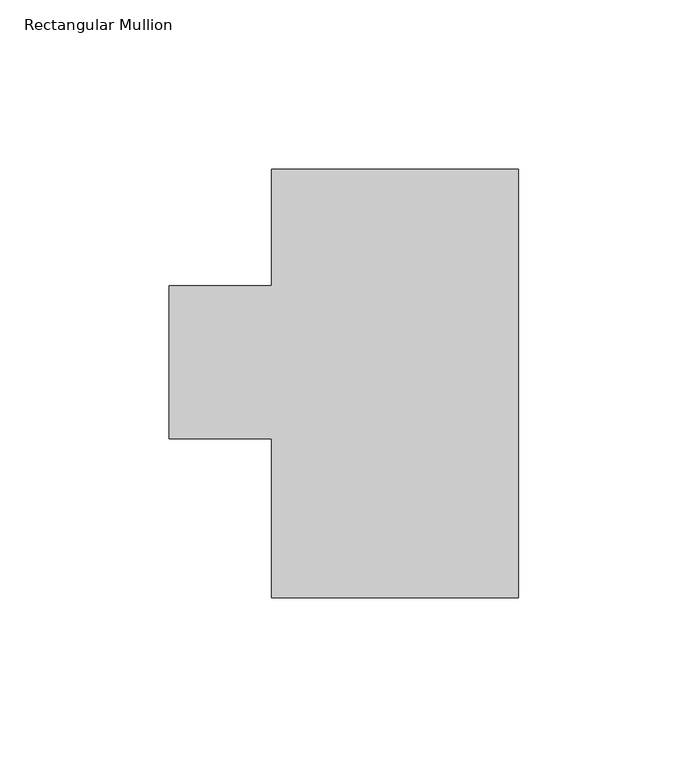
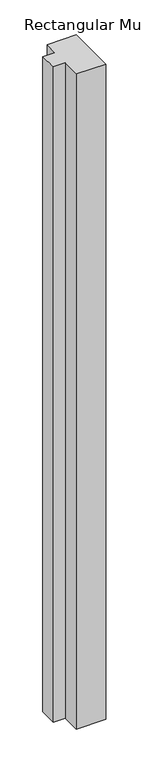
"""IFC4 building model written with IfcOpenShell, lengths in millimetres: member geometry, Rectangular Mullion."""

import ifcopenshell
import ifcopenshell.guid

model = None  # the IFC model being written
_history = None  # IfcOwnerHistory: only IFC2X3 demands one
_inside = {}  # id of a spatial element -> (the spatial element, [elements in it])
_under = {}  # id of a project, library or spatial element -> (it, [spatial elements below it])
_declared = {}  # id of a project -> (the project, [libraries it declares])
_typed = {}  # id of a type object -> (the type object, [elements of that type])
_made_of = {}  # id of a material, layer set ... -> (it, [elements and type objects made of it])


def new_model(schema):
    """Start an empty IFC model of exactly this schema.

    Asked for "IFC4X3", IfcOpenShell would pick the latest addendum, in which some entities
    have other attributes; the version numbers below select the first issue.
    IFC2X3 requires an IfcOwnerHistory on every rooted entity: one is made here for all.
    """
    global model, _history
    if schema == "IFC4X3":
        model = ifcopenshell.file(schema_version=(4, 3, 0, 0))
    else:
        model = ifcopenshell.file(schema=schema)
    _inside.clear()
    _under.clear()
    _declared.clear()
    _typed.clear()
    _made_of.clear()
    _history = None
    if model.schema == "IFC2X3":
        org = make("IfcOrganization", Name="unknown")
        user = make(
            "IfcPersonAndOrganization",
            ThePerson=make("IfcPerson", FamilyName="unknown"),
            TheOrganization=org,
        )
        app = make(
            "IfcApplication",
            ApplicationDeveloper=org,
            Version="unknown",
            ApplicationFullName="unknown",
            ApplicationIdentifier="unknown",
        )
        _history = make(
            "IfcOwnerHistory",
            OwningUser=user,
            OwningApplication=app,
            ChangeAction="ADDED",
            CreationDate=0,
        )
    return model


def make(cls, **values):
    """One entity of the class cls with the attributes given. An attribute that is None is left unset."""
    return model.create_entity(
        cls, **{name: value for name, value in values.items() if value is not None}
    )


def rooted(cls, **values):
    """An entity with a GlobalId (a new one), such as an element, a storey or a relation."""
    return make(cls, GlobalId=ifcopenshell.guid.new(), OwnerHistory=_history, **values)


def si_unit(unit_type, name, prefix=None):
    """IfcSIUnit, for example si_unit("LENGTHUNIT", "METRE", prefix="MILLI")."""
    return make("IfcSIUnit", UnitType=unit_type, Prefix=prefix, Name=name)


def assignment(units):
    """IfcUnitAssignment: the units of a project."""
    return None if units is None else make("IfcUnitAssignment", Units=units)


def point(xyz):
    """IfcCartesianPoint."""
    return None if xyz is None else make("IfcCartesianPoint", Coordinates=xyz)


def direction(xyz):
    """IfcDirection."""
    return None if xyz is None else make("IfcDirection", DirectionRatios=xyz)


def frame(location, z_axis=None, x_axis=None):
    """IfcAxis2Placement3D, a coordinate frame: its origin and axes. An axis left out is left unset."""
    return make(
        "IfcAxis2Placement3D",
        Location=point(location),
        Axis=direction(z_axis),
        RefDirection=direction(x_axis),
    )


def origin():
    """The frame at (0, 0, 0) with its axes left unset."""
    return frame((0.0, 0.0, 0.0))


def place(relative_to, where):
    """IfcLocalPlacement: puts the frame where relative to a parent placement (None: the world)."""
    return make(
        "IfcLocalPlacement", PlacementRelTo=relative_to, RelativePlacement=where
    )


def context(
    kind, dimensions, precision=None, world=None, true_north=None, identifier=None
):
    """IfcGeometricRepresentationContext, for example the 3D "Model" context."""
    return make(
        "IfcGeometricRepresentationContext",
        ContextIdentifier=identifier,
        ContextType=kind,
        CoordinateSpaceDimension=dimensions,
        Precision=precision,
        WorldCoordinateSystem=world,
        TrueNorth=true_north,
    )


def project(units=None, contexts=None):
    """IfcProject with its units and contexts."""
    return rooted(
        "IfcProject",
        Name="project",
        RepresentationContexts=contexts,
        UnitsInContext=assignment(units),
    )


def spatial(cls, under=None, at=None, **own):
    """A site, building, storey or space (cls), placed at a placement, below another one or the project."""
    s = rooted(cls, ObjectPlacement=at, **own)
    if under is not None:
        _under.setdefault(under.id(), (under, []))[1].append(s)
    return s


def polyline(points):
    """IfcPolyline through the points."""
    return make("IfcPolyline", Points=[point(p) for p in points])


def outline(outer, holes=None, kind="AREA"):
    """IfcArbitraryClosedProfileDef: a profile drawn as a closed curve; with holes, ...WithVoids."""
    if holes is None:
        return make("IfcArbitraryClosedProfileDef", ProfileType=kind, OuterCurve=outer)
    return make(
        "IfcArbitraryProfileDefWithVoids",
        ProfileType=kind,
        OuterCurve=outer,
        InnerCurves=holes,
    )


def extrude(swept, where, along, depth):
    """IfcExtrudedAreaSolid: the profile swept, set in the frame where, extruded along a direction by depth."""
    return make(
        "IfcExtrudedAreaSolid",
        SweptArea=swept,
        Position=where,
        ExtrudedDirection=direction(along),
        Depth=depth,
    )


def shape(context_of_items, identifier, shape_type, items):
    """IfcShapeRepresentation: the items that make up one representation, for example the "Body"."""
    return make(
        "IfcShapeRepresentation",
        ContextOfItems=context_of_items,
        RepresentationIdentifier=identifier,
        RepresentationType=shape_type,
        Items=items,
    )


def source(mapping_origin, context_of_items, identifier, shape_type, items):
    """IfcRepresentationMap: a shape defined once, which mapped items show again and again."""
    return make(
        "IfcRepresentationMap",
        MappingOrigin=mapping_origin,
        MappedRepresentation=shape(context_of_items, identifier, shape_type, items),
    )


def transform(
    local_origin,
    x_axis=None,
    y_axis=None,
    z_axis=None,
    scale=None,
    scale2=None,
    scale3=None,
    uniform=True,
):
    """IfcCartesianTransformationOperator3D, or its non-uniform kind. x_axis, y_axis, z_axis: its Axis1, 2, 3."""
    if uniform:
        return make(
            "IfcCartesianTransformationOperator3D",
            Axis1=direction(x_axis),
            Axis2=direction(y_axis),
            LocalOrigin=point(local_origin),
            Scale=scale,
            Axis3=direction(z_axis),
        )
    return make(
        "IfcCartesianTransformationOperator3DnonUniform",
        Axis1=direction(x_axis),
        Axis2=direction(y_axis),
        LocalOrigin=point(local_origin),
        Scale=scale,
        Axis3=direction(z_axis),
        Scale2=scale2,
        Scale3=scale3,
    )


def mapped(mapping_source, mapping_target):
    """IfcMappedItem: shows the shape of a source again, moved by a transform."""
    return make(
        "IfcMappedItem", MappingSource=mapping_source, MappingTarget=mapping_target
    )


def made_of(thing, what):
    """Note that an element or type object is made of a material, layer set ...; save() writes the relation."""
    if what is not None:
        _made_of.setdefault(what.id(), (what, []))[1].append(thing)
    return thing


def element(
    cls,
    number,
    at=None,
    inside=None,
    cuts=None,
    type_object=None,
    material=None,
    context=None,
    identifier="Body",
    shape_type=None,
    held_by="IfcProductDefinitionShape",
    body=None,
    shapes=None,
    **own,
):
    """One element of the class cls, such as IfcWall. Its Tag is "e" and its number.

    at: its placement. inside: the storey or other place that contains it. cuts: it is an
    opening in that element (IfcRelVoidsElement). A single representation is given by context,
    identifier, shape_type and body (its items); several are given by shapes. held_by: the class
    of the entity that holds the representations. save() writes the other relations.
    """
    e = rooted(cls, Tag="e%d" % number, ObjectPlacement=at, **own)
    if body is not None:
        shapes = [shape(context, identifier, shape_type, body)]
    if shapes is not None:
        e.Representation = make(held_by, Representations=shapes)
    if inside is not None:
        _inside.setdefault(inside.id(), (inside, []))[1].append(e)
    if cuts is not None:
        rooted(
            "IfcRelVoidsElement", RelatingBuildingElement=cuts, RelatedOpeningElement=e
        )
    if type_object is not None:
        _typed.setdefault(type_object.id(), (type_object, []))[1].append(e)
    return made_of(e, material)


def aggregate(whole, parts):
    """IfcRelAggregates: a whole, such as a stair, and the parts it consists of."""
    return rooted("IfcRelAggregates", RelatingObject=whole, RelatedObjects=parts)


def save(model, path):
    """Write the relations noted so far, then the file.

    IfcRelAggregates (storeys below a building ...), IfcRelContainedInSpatialStructure (elements
    in a storey), IfcRelDefinesByType, IfcRelAssociatesMaterial and IfcRelDeclares: one each for
    every whole, place, type object, material and project.
    """
    for whole, parts in _under.values():
        aggregate(whole, parts)
    for where, things in _inside.values():
        rooted(
            "IfcRelContainedInSpatialStructure",
            RelatedElements=things,
            RelatingStructure=where,
        )
    for kind, things in _typed.values():
        rooted("IfcRelDefinesByType", RelatedObjects=things, RelatingType=kind)
    for what, things in _made_of.values():
        rooted("IfcRelAssociatesMaterial", RelatedObjects=things, RelatingMaterial=what)
    for by, libraries in _declared.values():
        rooted("IfcRelDeclares", RelatingContext=by, RelatedDefinitions=libraries)
    model.write(path)


def rectangular_mullion_b89fa6ee(model_context):
    return source(origin(), model_context, "Body", "SweptSolid", [
        extrude(outline(polyline([(-73.025, 126.46025), (0.0, 126.46025), (0.0, -0.03175), (-73.025, -0.03175), (-73.025, 46.83125), (-103.2002, 46.83125), (-103.2002, 92.09405), (-73.025, 92.09405), (-73.025, 126.46025)])), frame((0.0, 0.0, -1727.1994574), z_axis=(0.0, 0.0, 1.0), x_axis=(1.0, 0.0, 0.0)), (0.0, 0.0, 1.0), 1727.1994574),
    ])


if __name__ == "__main__":
    model = new_model("IFC4")
    model_context = context("Model", 3, world=origin())
    ifc_project = project(units=[si_unit("LENGTHUNIT", "METRE", prefix="MILLI")], contexts=[model_context])
    site = spatial("IfcSite", under=ifc_project)
    building = spatial("IfcBuilding", under=site)
    placement = place(None, origin())
    rectangular_mullion_shape = rectangular_mullion_b89fa6ee(model_context)
    element("IfcMember", 1, ObjectType="Rectangular Mullion", at=placement, inside=building, context=model_context, shape_type="MappedRepresentation", body=[
        mapped(rectangular_mullion_shape, transform((0.0, 0.0, 0.0), x_axis=(1.0, 0.0, 0.0), y_axis=(0.0, 1.0, 0.0), z_axis=(0.0, 0.0, 1.0))),
    ])
    save(model, "model.ifc")
